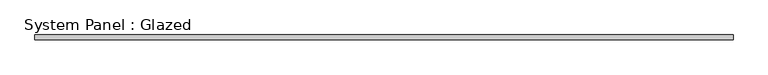
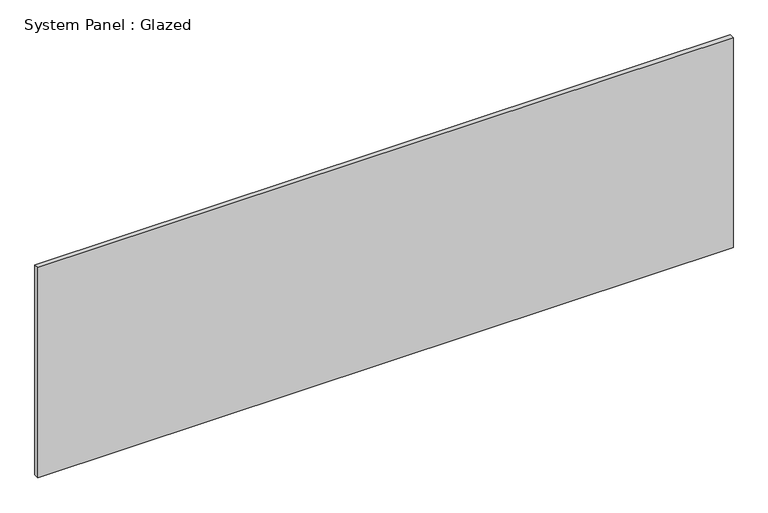
"""IFC4 building model written with IfcOpenShell, lengths in millimetres: plate geometry, System Panel : Glazed."""

from ifc_helpers import new_model, si_unit, origin, origin_with_axes, place, context, project, spatial, polyline, outline, extrude, source, transform, mapped, element, save


def system_panel_glazed_7146e2c8(model_context):
    return source(origin(), model_context, "Body", "SweptSolid", [
        extrude(outline(polyline([(1808.0114903, 19.05), (-1808.0114903, 19.05), (-1808.0114903, 44.45), (1808.0114903, 44.45), (1808.0114903, 19.05)])), origin_with_axes(), (0.0, 0.0, 1.0), 1155.7),
    ])


if __name__ == "__main__":
    model = new_model("IFC4")
    model_context = context("Model", 3, world=origin())
    ifc_project = project(units=[si_unit("LENGTHUNIT", "METRE", prefix="MILLI")], contexts=[model_context])
    site = spatial("IfcSite", under=ifc_project)
    building = spatial("IfcBuilding", under=site)
    placement = place(None, origin())
    system_panel_glazed_shape = system_panel_glazed_7146e2c8(model_context)
    element("IfcPlate", 1, ObjectType="System Panel : Glazed", at=placement, inside=building, context=model_context, shape_type="MappedRepresentation", body=[
        mapped(system_panel_glazed_shape, transform((0.0, 0.0, 0.0), x_axis=(1.0, 0.0, 0.0), y_axis=(0.0, 1.0, 0.0), z_axis=(0.0, 0.0, 1.0))),
    ])
    save(model, "model.ifc")
